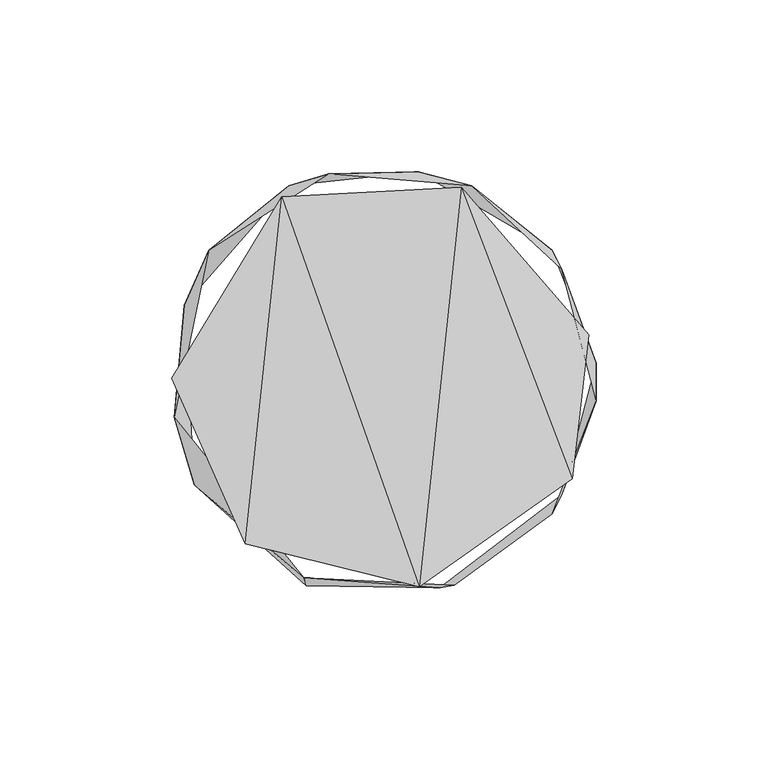
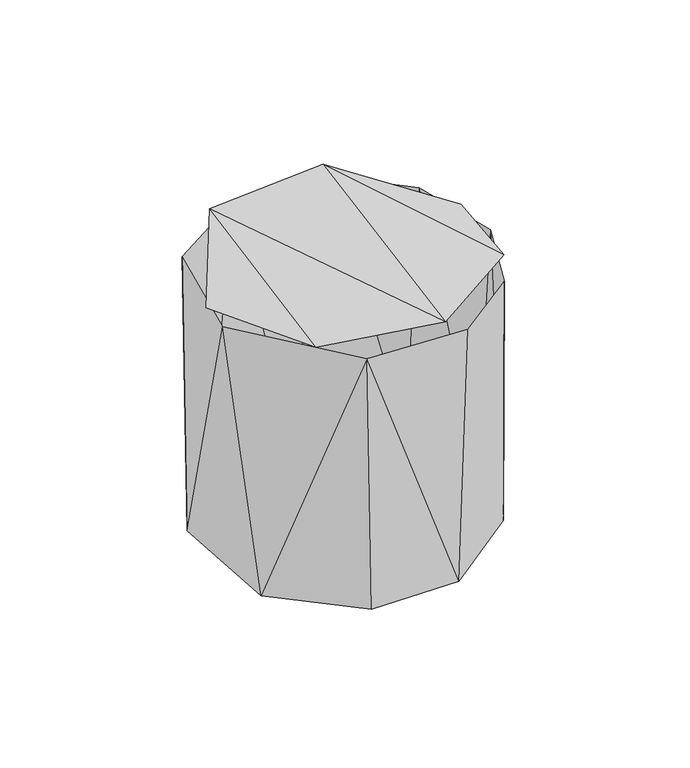
"""IFC4 building model written with IfcOpenShell, lengths in millimetres: furniture geometry."""

from ifc_helpers import new_model, si_unit, origin, place, context, project, spatial, triangles, source, transform, mapped, element, save


def furniture_4a5ac265(model_context):
    return source(origin(), model_context, "Body", "Tessellation", [
        triangles([(-28.6904272, 53.8405045, 123.4260055), (11.3433381, -59.531577, 124.6962132), (-39.3699034, -47.0913798, 122.9261631), (23.5489896, 56.5936114, 124.6086913), (55.7461476, -28.1091445, 121.8256762), (60.6709197, 13.728552, 118.5837592), (-60.6981346, 1.1322573, 119.6250111)], [[1, 2, 3], [1, 4, 2], [4, 5, 2], [4, 6, 5], [7, 1, 3]], closed=False),
        triangles([(-28.6904272, 53.8405045, 123.4260055), (-39.3699034, -47.0913798, 122.9261631), (11.3433381, -59.531577, 124.6962132), (23.5489896, 56.5936114, 124.6086913), (55.7461476, -28.1091445, 121.8256762), (60.6709197, 13.728552, 118.5837592), (-60.6981346, 1.1322573, 119.6250111), (-60.0051264, -10.2309026, 117.4750061), (-54.127283, -29.8505081, 4e-06), (-22.3422273, -57.0194348, 117.4750061), (-57.019403, 22.3423545, 7.4e-06), (26.6450874, 57.1072337, 117.4750151), (49.9470376, 38.3256903, 2.55e-05), (10.9843836, 61.1470262, 2.1e-05), (52.80845, 32.8259397, 117.4750151), (-49.9469059, 38.3256903, 117.4750061), (-26.6449375, 57.1072383, 1.48e-05), (-14.9731118, 60.5261021, 117.4750061), (62.7788625, 5.4783675, 2.51e-05), (62.7788307, -5.4782482, 117.4750151), (52.8084636, -32.8258284, 2.07e-05), (49.947033, -38.325554, 117.4750151), (17.2959567, -59.9036019, 1.31e-05), (21.5400597, -59.2216895, 117.4750061), (-21.5399257, -59.2216759, 7e-06)], [[1, 2, 3], [1, 3, 4], [4, 3, 5], [4, 5, 6], [7, 2, 1], [8, 9, 10], [9, 8, 11], [12, 13, 14], [13, 12, 15], [16, 17, 11], [17, 16, 18], [14, 18, 12], [13, 15, 19], [20, 19, 15], [18, 14, 17], [19, 20, 21], [16, 11, 8], [22, 21, 20], [22, 23, 21], [23, 22, 24], [23, 24, 10], [10, 25, 23], [10, 9, 25]], closed=False),
    ])


if __name__ == "__main__":
    model = new_model("IFC4")
    model_context = context("Model", 3, world=origin())
    ifc_project = project(units=[si_unit("LENGTHUNIT", "METRE", prefix="MILLI")], contexts=[model_context])
    site = spatial("IfcSite", under=ifc_project)
    building = spatial("IfcBuilding", under=site)
    placement = place(None, origin())
    furniture_shape = furniture_4a5ac265(model_context)
    element("IfcFurniture", 1, at=placement, inside=building, context=model_context, shape_type="MappedRepresentation", body=[
        mapped(furniture_shape, transform((0.0, 0.0, 0.0), x_axis=(1.0, 0.0, 0.0), y_axis=(0.0, 1.0, 0.0), z_axis=(0.0, 0.0, 1.0))),
    ])
    save(model, "model.ifc")
